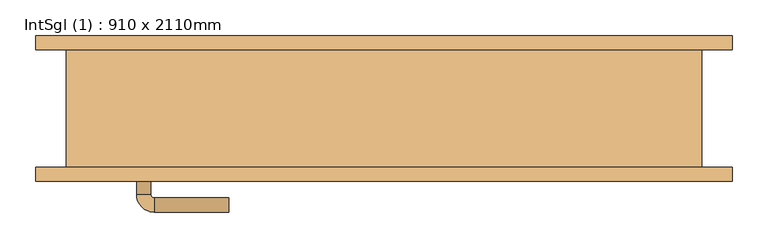
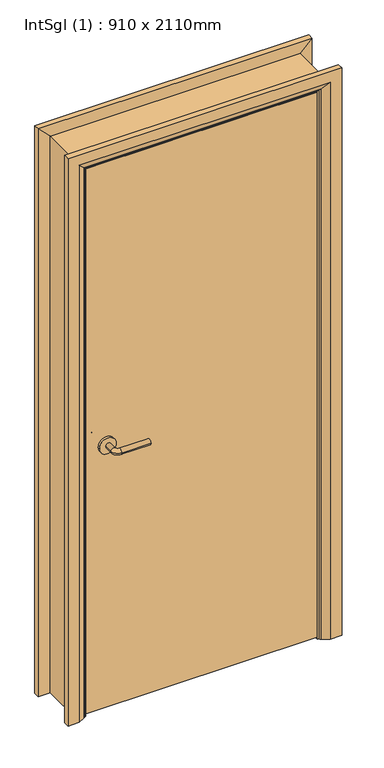
"""IFC4 building model written with IfcOpenShell, lengths in millimetres: door geometry, IntSgl (1) : 910 x 2110mm."""

from ifc_helpers import new_model, si_unit, point, frame, frame_2d, origin, place, context, project, spatial, polyline, circle_curve, ellipse_curve, trimmed, segment, composite_curve, outline, extrude, faceted_brep, source, transform, mapped, element, save
from ifc_brep_helpers import plane_surface, cylinder_surface, revolved_surface, advanced_brep


def intsgl_1_910_x_2110mm_d1b41ce5(model_context):
    return source(origin(), model_context, "Body", "SolidModel", [
        advanced_brep(
        [(-348.0, -36.5, 1000.0), (-328.0, -36.5, 1000.0), (-348.0, -6.5, 1000.0), (-328.0, -6.5, 1000.0), (-323.0, -1.5, 1000.0), (-323.0, 18.5, 1000.0), (-218.0, 18.5, 1000.0), (-218.0, -1.5, 1000.0)],
        [
            (0, 1, circle_curve(frame((-338.0, -36.5, 1000.0), z_axis=(0.0, -1.0, 0.0), x_axis=(1.0, 0.0, 0.0)), 10.0)),
            (1, 0, circle_curve(frame((-338.0, -36.5, 1000.0), z_axis=(0.0, -1.0, 0.0), x_axis=(1.0, 0.0, 0.0)), 10.0)),
            (0, 2),
            (2, 3, circle_curve(frame((-338.0, -6.5, 1000.0), z_axis=(0.0, -1.0, 0.0), x_axis=(1.0, 0.0, 0.0)), 10.0)),
            (3, 1),
            (3, 2, circle_curve(frame((-338.0, -6.5, 1000.0), z_axis=(0.0, -1.0, 0.0), x_axis=(1.0, 0.0, 0.0)), 10.0)),
            (4, 3, circle_curve(frame((-323.0, -6.5, 1000.0), z_axis=(0.0, 0.0, 1.0), x_axis=(-1.0, 0.0, 0.0)), 5.0)),
            (2, 5, circle_curve(frame((-323.0, -6.5, 1000.0), z_axis=(0.0, 0.0, -1.0), x_axis=(-1.0, 0.0, 0.0)), 25.0)),
            (5, 4, circle_curve(frame((-323.0, 8.5, 1000.0), z_axis=(-1.0, 0.0, 0.0), x_axis=(0.0, -1.0, 0.0)), 10.0)),
            (4, 5, circle_curve(frame((-323.0, 8.5, 1000.0), z_axis=(-1.0, 0.0, 0.0), x_axis=(0.0, -1.0, 0.0)), 10.0)),
            (6, 7, circle_curve(frame((-218.0, 8.5, 1000.0), z_axis=(1.0, 0.0, 0.0), x_axis=(0.0, -1.0, 0.0)), 10.0)),
            (7, 6, circle_curve(frame((-218.0, 8.5, 1000.0), z_axis=(1.0, 0.0, 0.0), x_axis=(0.0, -1.0, 0.0)), 10.0)),
            (5, 6),
            (7, 4),
        ],
        [
            plane_surface(frame((-338.0, -36.5, 1000.0), z_axis=(0.0, -1.0, 0.0), x_axis=(0.0, 0.0, 1.0))),
            cylinder_surface(frame((-338.0, -36.5, 1000.0), z_axis=(0.0, -1.0, 0.0), x_axis=(1.0, 0.0, 0.0)), 10.0),
            revolved_surface(trimmed(ellipse_curve(frame((-338.0, -6.5, 1000.0), z_axis=(0.0, -1.0, 0.0), x_axis=(1.0, 0.0, 0.0)), 10.0, 10.0), [point((-348.0, -6.5, 1000.0))], [point((-328.0, -6.5, 1000.0))], True, "CARTESIAN"), (-323.0, -6.5, 1000.0), (0.0, 0.0, -1.0)),
            revolved_surface(trimmed(ellipse_curve(frame((-338.0, -6.5, 1000.0), z_axis=(0.0, -1.0, 0.0), x_axis=(1.0, 0.0, 0.0)), 10.0, 10.0), [point((-328.0, -6.5, 1000.0))], [point((-348.0, -6.5, 1000.0))], True, "CARTESIAN"), (-323.0, -6.5, 1000.0), (0.0, 0.0, -1.0)),
            plane_surface(frame((-218.0, 8.5, 1000.0), z_axis=(1.0, 0.0, 0.0), x_axis=(0.0, 0.0, 1.0))),
            cylinder_surface(frame((-323.0, 8.5, 1000.0), z_axis=(-1.0, 0.0, 0.0), x_axis=(0.0, -1.0, 0.0)), 10.0),
        ],
        [
            (0, [[1, 2]]),
            (1, [[-1, 3, 4, 5]]),
            (1, [[-2, -5, 6, -3]]),
            (2, [[7, -4, 8, 9]]),
            (3, [[-8, -6, -7, 10]]),
            (4, [[11, 12]]),
            (5, [[-9, 13, -12, 14]]),
            (5, [[-10, -14, -11, -13]]),
        ],
    ),
        extrude(outline(composite_curve([segment(trimmed(circle_curve(frame_2d((1000.0, -340.5)), 30.0), [point((1000.0, -370.5))], [point((1000.0, -310.5))], False, "CARTESIAN"), True, "CONTINUOUS"), segment(trimmed(circle_curve(frame_2d((1000.0, -340.5)), 30.0), [point((1000.0, -310.5))], [point((1000.0, -370.5))], False, "CARTESIAN"), True, "CONTINUOUS")], self_intersect=False)), frame((0.0, -44.5, 0.0), z_axis=(0.0, 1.0, 0.0), x_axis=(0.0, 0.0, 1.0)), (0.0, 0.0, 1.0), 8.0),
        advanced_brep(
        [(-348.0, -90.5, 1000.0), (-328.0, -90.5, 1000.0), (-328.0, -120.5, 1000.0), (-348.0, -120.5, 1000.0), (-323.0, -125.5, 1000.0), (-323.0, -145.5, 1000.0), (-218.0, -145.5, 1000.0), (-218.0, -125.5, 1000.0)],
        [
            (0, 1, circle_curve(frame((-338.0, -90.5, 1000.0), z_axis=(0.0, 1.0, 0.0), x_axis=(1.0, 0.0, 0.0)), 10.0)),
            (1, 0, circle_curve(frame((-338.0, -90.5, 1000.0), z_axis=(0.0, 1.0, 0.0), x_axis=(1.0, 0.0, 0.0)), 10.0)),
            (1, 2),
            (2, 3, circle_curve(frame((-338.0, -120.5, 1000.0), z_axis=(0.0, 1.0, 0.0), x_axis=(1.0, 0.0, 0.0)), 10.0)),
            (3, 0),
            (3, 2, circle_curve(frame((-338.0, -120.5, 1000.0), z_axis=(0.0, 1.0, 0.0), x_axis=(1.0, 0.0, 0.0)), 10.0)),
            (4, 5, circle_curve(frame((-323.0, -135.5, 1000.0), z_axis=(-1.0, 0.0, 0.0), x_axis=(0.0, 1.0, 0.0)), 10.0)),
            (5, 3, circle_curve(frame((-323.0, -120.5, 1000.0), z_axis=(0.0, 0.0, -1.0), x_axis=(-1.0, 0.0, 0.0)), 25.0)),
            (2, 4, circle_curve(frame((-323.0, -120.5, 1000.0), z_axis=(0.0, 0.0, 1.0), x_axis=(-1.0, 0.0, 0.0)), 5.0)),
            (5, 4, circle_curve(frame((-323.0, -135.5, 1000.0), z_axis=(-1.0, 0.0, 0.0), x_axis=(0.0, 1.0, 0.0)), 10.0)),
            (6, 7, circle_curve(frame((-218.0, -135.5, 1000.0), z_axis=(1.0, 0.0, 0.0), x_axis=(0.0, 1.0, 0.0)), 10.0)),
            (7, 6, circle_curve(frame((-218.0, -135.5, 1000.0), z_axis=(1.0, 0.0, 0.0), x_axis=(0.0, 1.0, 0.0)), 10.0)),
            (4, 7),
            (6, 5),
        ],
        [
            plane_surface(frame((-338.0, -90.5, 1000.0), z_axis=(0.0, 1.0, 0.0), x_axis=(0.0, 0.0, 1.0))),
            cylinder_surface(frame((-338.0, -90.5, 1000.0), z_axis=(0.0, 1.0, 0.0), x_axis=(1.0, 0.0, 0.0)), 10.0),
            revolved_surface(trimmed(ellipse_curve(frame((-338.0, -120.5, 1000.0), z_axis=(0.0, -1.0, 0.0), x_axis=(1.0, 0.0, 0.0)), 10.0, 10.0), [point((-348.0, -120.5, 1000.0))], [point((-328.0, -120.5, 1000.0))], True, "CARTESIAN"), (-323.0, -120.5, 1000.0), (0.0, 0.0, -1.0)),
            revolved_surface(trimmed(ellipse_curve(frame((-338.0, -120.5, 1000.0), z_axis=(0.0, -1.0, 0.0), x_axis=(1.0, 0.0, 0.0)), 10.0, 10.0), [point((-328.0, -120.5, 1000.0))], [point((-348.0, -120.5, 1000.0))], True, "CARTESIAN"), (-323.0, -120.5, 1000.0), (0.0, 0.0, -1.0)),
            plane_surface(frame((-218.0, -135.5, 1000.0), z_axis=(1.0, 0.0, 0.0), x_axis=(0.0, 0.0, 1.0))),
            cylinder_surface(frame((-323.0, -135.5, 1000.0), z_axis=(-1.0, 0.0, 0.0), x_axis=(0.0, 1.0, 0.0)), 10.0),
        ],
        [
            (0, [[1, 2]]),
            (1, [[3, 4, 5, -2]]),
            (1, [[-5, 6, -3, -1]]),
            (2, [[7, 8, -4, 9]]),
            (3, [[10, -9, -6, -8]]),
            (4, [[11, 12]]),
            (5, [[13, -11, 14, -7]]),
            (5, [[-14, -12, -13, -10]]),
        ],
    ),
        extrude(outline(composite_curve([segment(trimmed(circle_curve(frame_2d((1000.0, -340.5)), 30.0), [point((1000.0, -370.5))], [point((1000.0, -310.5))], False, "CARTESIAN"), True, "CONTINUOUS"), segment(trimmed(circle_curve(frame_2d((1000.0, -340.5)), 30.0), [point((1000.0, -310.5))], [point((1000.0, -370.5))], False, "CARTESIAN"), True, "CONTINUOUS")], self_intersect=False)), frame((0.0, -90.5, 0.0), z_axis=(0.0, 1.0, 0.0), x_axis=(0.0, 0.0, 1.0)), (0.0, 0.0, 1.0), 8.0),
        extrude(outline(polyline([(413.0, -44.5), (413.0, -82.5), (-413.0, -82.5), (-413.0, -44.5), (413.0, -44.5)])), frame((0.0, 0.0, 8.0), z_axis=(0.0, 0.0, 1.0), x_axis=(1.0, 0.0, 0.0)), (0.0, 0.0, 1.0), 2060.0),
        advanced_brep(
        [(490.0, -102.5, 0.0), (450.0, -102.5, 0.0), (424.0, -88.5, 0.0), (420.0, -82.5, 0.0), (490.0, -82.5, 0.0), (490.0, -82.5, 2145.0), (490.0, -102.5, 2145.0), (420.0, -82.5, 2075.0), (-420.0, -82.5, 2075.0), (-420.0, -82.5, 0.0), (-490.0, -82.5, 0.0), (-490.0, -82.5, 2145.0), (424.0, -88.5, 2079.0), (450.0, -102.5, 2105.0), (-490.0, -102.5, 2145.0), (-490.0, -102.5, 0.0), (-450.0, -102.5, 0.0), (-450.0, -102.5, 2105.0), (-424.0, -88.5, 2079.0), (-424.0, -88.5, 0.0)],
        [
            (0, 1),
            (1, 2),
            (2, 3, circle_curve(frame((428.0, -81.5, 0.0), z_axis=(0.0, 0.0, -1.0), x_axis=(1.0, 0.0, 0.0)), 8.0622577)),
            (3, 4),
            (4, 0),
            (4, 5),
            (5, 6),
            (6, 0),
            (3, 7),
            (7, 8),
            (8, 9),
            (9, 10),
            (10, 11),
            (11, 5),
            (2, 12),
            (12, 7, ellipse_curve(frame((428.0, -81.5, 2083.0), z_axis=(0.7071067811865475, 0.0, -0.7071067811865475), x_axis=(-0.7071067811865474, 0.0, -0.7071067811865476)), 11.4017543, 8.0622577)),
            (1, 13),
            (13, 12),
            (6, 14),
            (14, 15),
            (15, 16),
            (16, 17),
            (17, 13),
            (11, 14),
            (12, 18),
            (18, 8, ellipse_curve(frame((-428.0, -81.5, 2083.0), z_axis=(0.7071067811865475, 0.0, 0.7071067811865475), x_axis=(0.7071067811865476, 0.0, -0.7071067811865474)), 11.4017543, 8.0622577)),
            (17, 18),
            (15, 10),
            (9, 19, circle_curve(frame((-428.0, -81.5, 0.0), z_axis=(0.0, 0.0, -1.0), x_axis=(-1.0, 0.0, 0.0)), 8.0622577)),
            (19, 16),
            (18, 19),
        ],
        [
            plane_surface(frame((420.0, -82.5, 0.0), z_axis=(0.0, 0.0, -1.0), x_axis=(0.0, 1.0, 0.0))),
            plane_surface(frame((490.0, -102.5, 0.0), z_axis=(1.0, 0.0, 0.0), x_axis=(0.0, 0.0, 1.0))),
            plane_surface(frame((490.0, -82.5, 0.0), z_axis=(0.0, 1.0, 0.0), x_axis=(0.0, 0.0, 1.0))),
            cylinder_surface(frame((428.0, -81.5, 0.0), z_axis=(0.0, 0.0, -1.0), x_axis=(1.0, 0.0, 0.0)), 8.0622577),
            plane_surface(frame((424.0, -88.5, 0.0), z_axis=(-0.4740998230350126, -0.880471099922178, 0.0), x_axis=(0.0, 0.0, 1.0))),
            plane_surface(frame((450.0, -102.5, 0.0), z_axis=(0.0, -1.0, 0.0), x_axis=(0.0, 0.0, 1.0))),
            plane_surface(frame((490.0, -102.5, 2145.0), z_axis=(0.0, 0.0, 1.0), x_axis=(-1.0, 0.0, 0.0))),
            cylinder_surface(frame((420.0, -81.5, 2083.0), z_axis=(1.0, 0.0, 0.0), x_axis=(0.0, 0.0, 1.0)), 8.0622577),
            plane_surface(frame((424.0, -88.5, 2079.0), z_axis=(0.0, -0.8804710999221764, -0.4740998230350154), x_axis=(-1.0, 0.0, 0.0))),
            plane_surface(frame((-420.0, -82.5, 0.0), z_axis=(0.0, 0.0, -1.0), x_axis=(0.0, 1.0, 0.0))),
            plane_surface(frame((-490.0, -102.5, 2145.0), z_axis=(-1.0, 0.0, 0.0), x_axis=(0.0, 0.0, -1.0))),
            cylinder_surface(frame((-428.0, -81.5, 2075.0), z_axis=(0.0, 0.0, 1.0), x_axis=(-1.0, 0.0, 0.0)), 8.0622577),
            plane_surface(frame((-424.0, -88.5, 2079.0), z_axis=(0.47409982303501824, -0.8804710999221749, 0.0), x_axis=(0.0, 0.0, -1.0))),
        ],
        [
            (0, [[1, 2, 3, 4, 5]]),
            (1, [[6, 7, 8, -5]]),
            (2, [[9, 10, 11, 12, 13, 14, -6, -4]]),
            (3, [[15, 16, -9, -3]]),
            (4, [[17, 18, -15, -2]]),
            (5, [[-8, 19, 20, 21, 22, 23, -17, -1]]),
            (6, [[-14, 24, -19, -7]]),
            (7, [[25, 26, -10, -16]]),
            (8, [[-23, 27, -25, -18]]),
            (9, [[28, -12, 29, 30, -21]]),
            (10, [[-13, -28, -20, -24]]),
            (11, [[31, -29, -11, -26]]),
            (12, [[-22, -30, -31, -27]]),
        ],
    ),
        extrude(outline(polyline([(0.0, -396.0), (2051.0, -396.0), (2051.0, 396.0), (0.0, 396.0), (0.0, 415.0), (2070.0, 415.0), (2070.0, -415.0), (0.0, -415.0), (0.0, -396.0)])), frame((0.0, -42.5, 0.0), z_axis=(0.0, 1.0, 0.0), x_axis=(0.0, 0.0, 1.0)), (0.0, 0.0, 1.0), 32.0),
        advanced_brep(
        [(-490.0, 102.5, 0.0), (-450.0, 102.5, 0.0), (-424.0, 88.5, 0.0), (-420.0, 82.5, 0.0), (-490.0, 82.5, 0.0), (-490.0, 82.5, 2145.0), (-490.0, 102.5, 2145.0), (-420.0, 82.5, 2075.0), (-424.0, 88.5, 2079.0), (-450.0, 102.5, 2105.0), (490.0, 82.5, 2145.0), (490.0, 102.5, 2145.0), (420.0, 82.5, 2075.0), (424.0, 88.5, 2079.0), (450.0, 102.5, 2105.0), (490.0, 102.5, 0.0), (490.0, 82.5, 0.0), (420.0, 82.5, 0.0), (424.0, 88.5, 0.0), (450.0, 102.5, 0.0)],
        [
            (0, 1),
            (1, 2),
            (2, 3, circle_curve(frame((-428.0, 81.5, 0.0), z_axis=(0.0, 0.0, -1.0), x_axis=(-1.0, 0.0, 0.0)), 8.0622577)),
            (3, 4),
            (4, 0),
            (4, 5),
            (5, 6),
            (6, 0),
            (3, 7),
            (7, 5),
            (2, 8),
            (8, 7, ellipse_curve(frame((-428.0, 81.5, 2083.0), z_axis=(-0.7071067811865475, 0.0, -0.7071067811865475), x_axis=(0.7071067811865474, 0.0, -0.7071067811865476)), 11.4017543, 8.0622577)),
            (1, 9),
            (9, 8),
            (6, 9),
            (5, 10),
            (10, 11),
            (11, 6),
            (7, 12),
            (12, 10),
            (8, 13),
            (13, 12, ellipse_curve(frame((428.0, 81.5, 2083.0), z_axis=(-0.7071067811865475, 0.0, 0.7071067811865475), x_axis=(-0.7071067811865476, 0.0, -0.7071067811865474)), 11.4017543, 8.0622577)),
            (9, 14),
            (14, 13),
            (11, 14),
            (15, 16),
            (16, 17),
            (17, 18, circle_curve(frame((428.0, 81.5, 0.0), z_axis=(0.0, 0.0, -1.0), x_axis=(1.0, 0.0, 0.0)), 8.0622577)),
            (18, 19),
            (19, 15),
            (10, 16),
            (15, 11),
            (12, 17),
            (13, 18),
            (14, 19),
        ],
        [
            plane_surface(frame((-420.0, 155.3010989, 0.0), z_axis=(0.0, 0.0, -1.0), x_axis=(1.0, 0.0, 0.0))),
            plane_surface(frame((-490.0, 102.5, 0.0), z_axis=(-1.0, 0.0, 0.0), x_axis=(0.0, 0.0, 1.0))),
            plane_surface(frame((-490.0, 82.5, 0.0), z_axis=(0.0, -1.0, 0.0), x_axis=(0.0, 0.0, 1.0))),
            cylinder_surface(frame((-428.0, 81.5, 0.0), z_axis=(0.0, 0.0, -1.0), x_axis=(-1.0, 0.0, 0.0)), 8.0622577),
            plane_surface(frame((-424.0, 88.5, 0.0), z_axis=(0.4740998230350183, 0.8804710999221749, 0.0), x_axis=(0.0, 0.0, 1.0))),
            plane_surface(frame((-450.0, 102.5, 0.0), z_axis=(0.0, 1.0, 0.0), x_axis=(0.0, 0.0, 1.0))),
            plane_surface(frame((-490.0, 102.5, 2145.0), z_axis=(0.0, 0.0, 1.0), x_axis=(1.0, 0.0, 0.0))),
            plane_surface(frame((-490.0, 82.5, 2145.0), z_axis=(0.0, -1.0, 0.0), x_axis=(1.0, 0.0, 0.0))),
            cylinder_surface(frame((-420.0, 81.5, 2083.0), z_axis=(-1.0, 0.0, 0.0), x_axis=(0.0, 0.0, 1.0)), 8.0622577),
            plane_surface(frame((-424.0, 88.5, 2079.0), z_axis=(0.0, 0.8804710999221749, -0.4740998230350183), x_axis=(1.0, 0.0, 0.0))),
            plane_surface(frame((-450.0, 102.5, 2105.0), z_axis=(0.0, 1.0, 0.0), x_axis=(1.0, 0.0, 0.0))),
            plane_surface(frame((420.0, 155.3010989, 0.0), z_axis=(0.0, 0.0, -1.0), x_axis=(-1.0, 0.0, 0.0))),
            plane_surface(frame((490.0, 102.5, 2145.0), z_axis=(1.0, 0.0, 0.0), x_axis=(0.0, 0.0, -1.0))),
            plane_surface(frame((490.0, 82.5, 2145.0), z_axis=(0.0, -1.0, 0.0), x_axis=(0.0, 0.0, -1.0))),
            cylinder_surface(frame((428.0, 81.5, 2075.0), z_axis=(0.0, 0.0, 1.0), x_axis=(1.0, 0.0, 0.0)), 8.0622577),
            plane_surface(frame((424.0, 88.5, 2079.0), z_axis=(-0.4740998230350183, 0.8804710999221749, 0.0), x_axis=(0.0, 0.0, -1.0))),
            plane_surface(frame((450.0, 102.5, 2105.0), z_axis=(0.0, 1.0, 0.0), x_axis=(0.0, 0.0, -1.0))),
        ],
        [
            (0, [[1, 2, 3, 4, 5]]),
            (1, [[6, 7, 8, -5]]),
            (2, [[9, 10, -6, -4]]),
            (3, [[11, 12, -9, -3]]),
            (4, [[13, 14, -11, -2]]),
            (5, [[-8, 15, -13, -1]]),
            (6, [[16, 17, 18, -7]]),
            (7, [[19, 20, -16, -10]]),
            (8, [[21, 22, -19, -12]]),
            (9, [[23, 24, -21, -14]]),
            (10, [[-18, 25, -23, -15]]),
            (11, [[26, 27, 28, 29, 30]]),
            (12, [[31, -26, 32, -17]]),
            (13, [[33, -27, -31, -20]]),
            (14, [[34, -28, -33, -22]]),
            (15, [[35, -29, -34, -24]]),
            (16, [[-32, -30, -35, -25]]),
        ],
    ),
        faceted_brep([(-415.0, -82.5, 0.0), (-447.0, -82.5, 0.0), (-447.0, 82.5, 0.0), (-415.0, 82.5, 0.0), (-415.0, 82.5, 2070.0), (-415.0, -82.5, 2070.0), (-447.0, 82.5, 2102.0), (-447.0, -82.5, 2102.0), (415.0, 82.5, 2070.0), (415.0, -82.5, 2070.0), (447.0, 82.5, 2102.0), (447.0, -82.5, 2102.0), (415.0, -82.5, 0.0), (415.0, 82.5, 0.0), (447.0, 82.5, 0.0), (447.0, -82.5, 0.0)], [[[0, 1, 2, 3]], [[3, 4, 5, 0]], [[2, 6, 4, 3]], [[1, 7, 6, 2]], [[0, 5, 7, 1]], [[4, 8, 9, 5]], [[6, 10, 8, 4]], [[7, 11, 10, 6]], [[5, 9, 11, 7]], [[12, 13, 14, 15]], [[8, 13, 12, 9]], [[10, 14, 13, 8]], [[11, 15, 14, 10]], [[9, 12, 15, 11]]]),
    ])


if __name__ == "__main__":
    model = new_model("IFC4")
    model_context = context("Model", 3, world=origin())
    ifc_project = project(units=[si_unit("LENGTHUNIT", "METRE", prefix="MILLI")], contexts=[model_context])
    site = spatial("IfcSite", under=ifc_project)
    building = spatial("IfcBuilding", under=site)
    placement = place(None, origin())
    intsgl_1_910_x_2110mm_shape = intsgl_1_910_x_2110mm_d1b41ce5(model_context)
    element("IfcDoor", 1, ObjectType="IntSgl (1) : 910 x 2110mm", at=placement, inside=building, context=model_context, shape_type="MappedRepresentation", body=[
        mapped(intsgl_1_910_x_2110mm_shape, transform((0.0, 0.0, 0.0), x_axis=(1.0, 0.0, 0.0), y_axis=(0.0, 1.0, 0.0), z_axis=(0.0, 0.0, 1.0))),
    ])
    save(model, "model.ifc")
